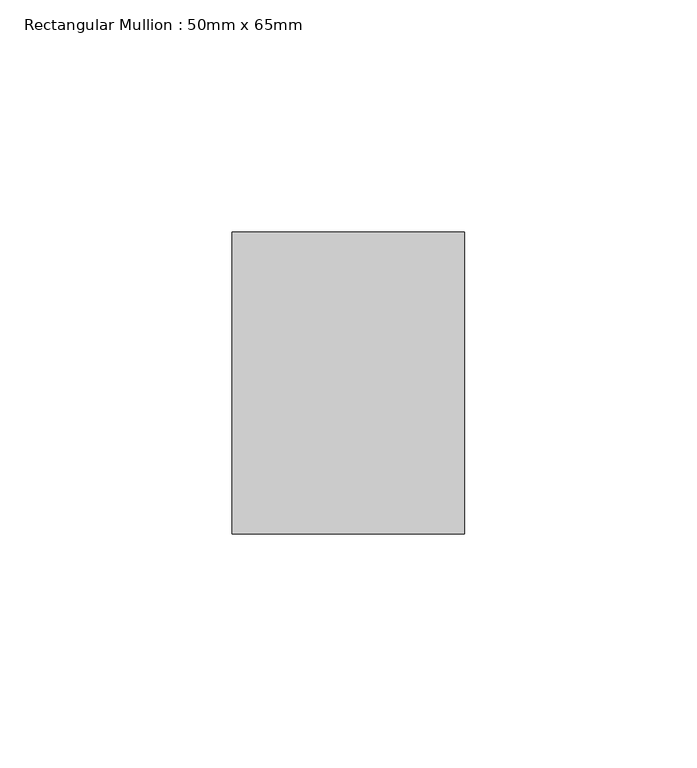
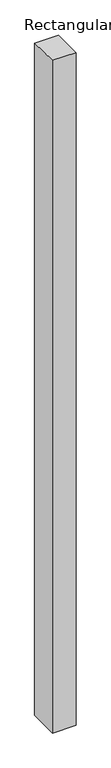
"""IFC4 building model written with IfcOpenShell, lengths in millimetres: member geometry, Rectangular Mullion : 50mm x 65mm."""

from ifc_helpers import new_model, si_unit, origin, place, context, project, spatial, faceted_brep, source, transform, mapped, element, save


def rectangular_mullion_50mm_x_65mm_dc0e2126(model_context):
    return source(origin(), model_context, "Body", "Brep", [
        faceted_brep([(-25.0, 32.5, -0.3057245), (25.0, 32.5, -0.3057252), (25.0, 32.5, -1499.7977555), (-25.0, 32.5, -1499.7977559), (-25.0, -32.5, 0.3057252), (-25.0, -32.5, -1500.203234), (25.0, -32.5, 0.3057245), (25.0, -32.5, -1500.2032336)], [[[0, 1, 2, 3]], [[4, 0, 3, 5]], [[6, 4, 5, 7]], [[1, 6, 7, 2]], [[1, 0, 4, 6]], [[2, 7, 5, 3]]]),
    ])


if __name__ == "__main__":
    model = new_model("IFC4")
    model_context = context("Model", 3, world=origin())
    ifc_project = project(units=[si_unit("LENGTHUNIT", "METRE", prefix="MILLI")], contexts=[model_context])
    site = spatial("IfcSite", under=ifc_project)
    building = spatial("IfcBuilding", under=site)
    placement = place(None, origin())
    rectangular_mullion_50mm_x_65mm_shape = rectangular_mullion_50mm_x_65mm_dc0e2126(model_context)
    element("IfcMember", 1, ObjectType="Rectangular Mullion : 50mm x 65mm", at=placement, inside=building, context=model_context, shape_type="MappedRepresentation", body=[
        mapped(rectangular_mullion_50mm_x_65mm_shape, transform((0.0, 0.0, 0.0), x_axis=(1.0, 0.0, 0.0), y_axis=(0.0, 1.0, 0.0), z_axis=(0.0, 0.0, 1.0))),
    ])
    save(model, "model.ifc")
